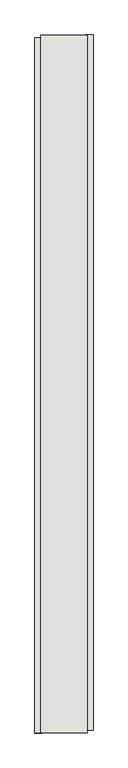
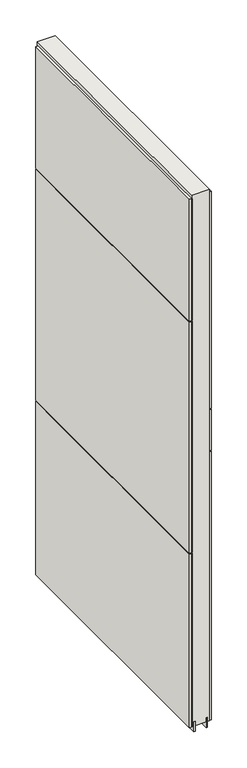
"""IFC4 building model written with IfcOpenShell, lengths in millimetres: wall geometry."""

import ifcopenshell
import ifcopenshell.guid

model = None  # the IFC model being written
_history = None  # IfcOwnerHistory: only IFC2X3 demands one
_inside = {}  # id of a spatial element -> (the spatial element, [elements in it])
_under = {}  # id of a project, library or spatial element -> (it, [spatial elements below it])
_declared = {}  # id of a project -> (the project, [libraries it declares])
_typed = {}  # id of a type object -> (the type object, [elements of that type])
_made_of = {}  # id of a material, layer set ... -> (it, [elements and type objects made of it])


def new_model(schema):
    """Start an empty IFC model of exactly this schema.

    Asked for "IFC4X3", IfcOpenShell would pick the latest addendum, in which some entities
    have other attributes; the version numbers below select the first issue.
    IFC2X3 requires an IfcOwnerHistory on every rooted entity: one is made here for all.
    """
    global model, _history
    if schema == "IFC4X3":
        model = ifcopenshell.file(schema_version=(4, 3, 0, 0))
    else:
        model = ifcopenshell.file(schema=schema)
    _inside.clear()
    _under.clear()
    _declared.clear()
    _typed.clear()
    _made_of.clear()
    _history = None
    if model.schema == "IFC2X3":
        org = make("IfcOrganization", Name="unknown")
        user = make(
            "IfcPersonAndOrganization",
            ThePerson=make("IfcPerson", FamilyName="unknown"),
            TheOrganization=org,
        )
        app = make(
            "IfcApplication",
            ApplicationDeveloper=org,
            Version="unknown",
            ApplicationFullName="unknown",
            ApplicationIdentifier="unknown",
        )
        _history = make(
            "IfcOwnerHistory",
            OwningUser=user,
            OwningApplication=app,
            ChangeAction="ADDED",
            CreationDate=0,
        )
    return model


def make(cls, **values):
    """One entity of the class cls with the attributes given. An attribute that is None is left unset."""
    return model.create_entity(
        cls, **{name: value for name, value in values.items() if value is not None}
    )


def rooted(cls, **values):
    """An entity with a GlobalId (a new one), such as an element, a storey or a relation."""
    return make(cls, GlobalId=ifcopenshell.guid.new(), OwnerHistory=_history, **values)


def si_unit(unit_type, name, prefix=None):
    """IfcSIUnit, for example si_unit("LENGTHUNIT", "METRE", prefix="MILLI")."""
    return make("IfcSIUnit", UnitType=unit_type, Prefix=prefix, Name=name)


def assignment(units):
    """IfcUnitAssignment: the units of a project."""
    return None if units is None else make("IfcUnitAssignment", Units=units)


def point(xyz):
    """IfcCartesianPoint."""
    return None if xyz is None else make("IfcCartesianPoint", Coordinates=xyz)


def direction(xyz):
    """IfcDirection."""
    return None if xyz is None else make("IfcDirection", DirectionRatios=xyz)


def frame(location, z_axis=None, x_axis=None):
    """IfcAxis2Placement3D, a coordinate frame: its origin and axes. An axis left out is left unset."""
    return make(
        "IfcAxis2Placement3D",
        Location=point(location),
        Axis=direction(z_axis),
        RefDirection=direction(x_axis),
    )


def origin():
    """The frame at (0, 0, 0) with its axes left unset."""
    return frame((0.0, 0.0, 0.0))


def place(relative_to, where):
    """IfcLocalPlacement: puts the frame where relative to a parent placement (None: the world)."""
    return make(
        "IfcLocalPlacement", PlacementRelTo=relative_to, RelativePlacement=where
    )


def context(
    kind, dimensions, precision=None, world=None, true_north=None, identifier=None
):
    """IfcGeometricRepresentationContext, for example the 3D "Model" context."""
    return make(
        "IfcGeometricRepresentationContext",
        ContextIdentifier=identifier,
        ContextType=kind,
        CoordinateSpaceDimension=dimensions,
        Precision=precision,
        WorldCoordinateSystem=world,
        TrueNorth=true_north,
    )


def project(units=None, contexts=None):
    """IfcProject with its units and contexts."""
    return rooted(
        "IfcProject",
        Name="project",
        RepresentationContexts=contexts,
        UnitsInContext=assignment(units),
    )


def spatial(cls, under=None, at=None, **own):
    """A site, building, storey or space (cls), placed at a placement, below another one or the project."""
    s = rooted(cls, ObjectPlacement=at, **own)
    if under is not None:
        _under.setdefault(under.id(), (under, []))[1].append(s)
    return s


def polyline(points):
    """IfcPolyline through the points."""
    return make("IfcPolyline", Points=[point(p) for p in points])


def outline(outer, holes=None, kind="AREA"):
    """IfcArbitraryClosedProfileDef: a profile drawn as a closed curve; with holes, ...WithVoids."""
    if holes is None:
        return make("IfcArbitraryClosedProfileDef", ProfileType=kind, OuterCurve=outer)
    return make(
        "IfcArbitraryProfileDefWithVoids",
        ProfileType=kind,
        OuterCurve=outer,
        InnerCurves=holes,
    )


def extrude(swept, where, along, depth):
    """IfcExtrudedAreaSolid: the profile swept, set in the frame where, extruded along a direction by depth."""
    return make(
        "IfcExtrudedAreaSolid",
        SweptArea=swept,
        Position=where,
        ExtrudedDirection=direction(along),
        Depth=depth,
    )


def shape(context_of_items, identifier, shape_type, items):
    """IfcShapeRepresentation: the items that make up one representation, for example the "Body"."""
    return make(
        "IfcShapeRepresentation",
        ContextOfItems=context_of_items,
        RepresentationIdentifier=identifier,
        RepresentationType=shape_type,
        Items=items,
    )


def source(mapping_origin, context_of_items, identifier, shape_type, items):
    """IfcRepresentationMap: a shape defined once, which mapped items show again and again."""
    return make(
        "IfcRepresentationMap",
        MappingOrigin=mapping_origin,
        MappedRepresentation=shape(context_of_items, identifier, shape_type, items),
    )


def transform(
    local_origin,
    x_axis=None,
    y_axis=None,
    z_axis=None,
    scale=None,
    scale2=None,
    scale3=None,
    uniform=True,
):
    """IfcCartesianTransformationOperator3D, or its non-uniform kind. x_axis, y_axis, z_axis: its Axis1, 2, 3."""
    if uniform:
        return make(
            "IfcCartesianTransformationOperator3D",
            Axis1=direction(x_axis),
            Axis2=direction(y_axis),
            LocalOrigin=point(local_origin),
            Scale=scale,
            Axis3=direction(z_axis),
        )
    return make(
        "IfcCartesianTransformationOperator3DnonUniform",
        Axis1=direction(x_axis),
        Axis2=direction(y_axis),
        LocalOrigin=point(local_origin),
        Scale=scale,
        Axis3=direction(z_axis),
        Scale2=scale2,
        Scale3=scale3,
    )


def mapped(mapping_source, mapping_target):
    """IfcMappedItem: shows the shape of a source again, moved by a transform."""
    return make(
        "IfcMappedItem", MappingSource=mapping_source, MappingTarget=mapping_target
    )


def made_of(thing, what):
    """Note that an element or type object is made of a material, layer set ...; save() writes the relation."""
    if what is not None:
        _made_of.setdefault(what.id(), (what, []))[1].append(thing)
    return thing


def element(
    cls,
    number,
    at=None,
    inside=None,
    cuts=None,
    type_object=None,
    material=None,
    context=None,
    identifier="Body",
    shape_type=None,
    held_by="IfcProductDefinitionShape",
    body=None,
    shapes=None,
    **own,
):
    """One element of the class cls, such as IfcWall. Its Tag is "e" and its number.

    at: its placement. inside: the storey or other place that contains it. cuts: it is an
    opening in that element (IfcRelVoidsElement). A single representation is given by context,
    identifier, shape_type and body (its items); several are given by shapes. held_by: the class
    of the entity that holds the representations. save() writes the other relations.
    """
    e = rooted(cls, Tag="e%d" % number, ObjectPlacement=at, **own)
    if body is not None:
        shapes = [shape(context, identifier, shape_type, body)]
    if shapes is not None:
        e.Representation = make(held_by, Representations=shapes)
    if inside is not None:
        _inside.setdefault(inside.id(), (inside, []))[1].append(e)
    if cuts is not None:
        rooted(
            "IfcRelVoidsElement", RelatingBuildingElement=cuts, RelatedOpeningElement=e
        )
    if type_object is not None:
        _typed.setdefault(type_object.id(), (type_object, []))[1].append(e)
    return made_of(e, material)


def aggregate(whole, parts):
    """IfcRelAggregates: a whole, such as a stair, and the parts it consists of."""
    return rooted("IfcRelAggregates", RelatingObject=whole, RelatedObjects=parts)


def save(model, path):
    """Write the relations noted so far, then the file.

    IfcRelAggregates (storeys below a building ...), IfcRelContainedInSpatialStructure (elements
    in a storey), IfcRelDefinesByType, IfcRelAssociatesMaterial and IfcRelDeclares: one each for
    every whole, place, type object, material and project.
    """
    for whole, parts in _under.values():
        aggregate(whole, parts)
    for where, things in _inside.values():
        rooted(
            "IfcRelContainedInSpatialStructure",
            RelatedElements=things,
            RelatingStructure=where,
        )
    for kind, things in _typed.values():
        rooted("IfcRelDefinesByType", RelatedObjects=things, RelatingType=kind)
    for what, things in _made_of.values():
        rooted("IfcRelAssociatesMaterial", RelatedObjects=things, RelatingMaterial=what)
    for by, libraries in _declared.values():
        rooted("IfcRelDeclares", RelatingContext=by, RelatedDefinitions=libraries)
    model.write(path)


def wall_45a2777a(model_context):
    return source(origin(), model_context, "Body", "SweptSolid", [
        extrude(outline(polyline([(48846.142211, -40633.0906666), (48846.142211, -40630.5506666), (48848.682211, -40630.5506666), (48848.682211, -40633.0906666), (48846.142211, -40633.0906666)])), frame((0.0, 0.0, 4419.6), z_axis=(0.0, 0.0, 1.0), x_axis=(1.0, 0.0, 0.0)), (0.0, 0.0, 1.0), 2.54),
        extrude(outline(polyline([(48898.212211, -40630.0875484), (48898.212211, -41845.2875564), (48885.512211, -41845.2875564), (48885.512211, -40630.0875484), (48898.212211, -40630.0875484)])), frame((0.0, 0.0, 5945.6000722), z_axis=(0.0, 0.0, 1.0), x_axis=(1.0, 0.0, 0.0)), (0.0, 0.0, 1.0), 1044.449905),
        extrude(outline(polyline([(48898.212211, -40630.0875484), (48898.212211, -41845.2875564), (48885.512211, -41845.2875564), (48885.512211, -40630.0875484), (48898.212211, -40630.0875484)])), frame((0.0, 0.0, 5742.3999706), z_axis=(0.0, 0.0, 1.0), x_axis=(1.0, 0.0, 0.0)), (0.0, 0.0, 1.0), 199.2000512),
        extrude(outline(polyline([(48898.212211, -40630.0875484), (48898.212211, -41845.2875564), (48885.512211, -41845.2875564), (48885.512211, -40630.0875484), (48898.212211, -40630.0875484)])), frame((0.0, 0.0, 4445.0), z_axis=(0.0, 0.0, 1.0), x_axis=(1.0, 0.0, 0.0)), (0.0, 0.0, 1.0), 1293.400004),
        extrude(outline(polyline([(48796.612211, -41850.2174932), (48796.612211, -40635.0174852), (48809.312211, -40635.0174852), (48809.312211, -41850.2174932), (48796.612211, -41850.2174932)])), frame((0.0, 0.0, 6402.8000722), z_axis=(0.0, 0.0, 1.0), x_axis=(1.0, 0.0, 0.0)), (0.0, 0.0, 1.0), 587.2498034),
        extrude(outline(polyline([(48796.612211, -41850.2174932), (48796.612211, -40635.0174852), (48809.312211, -40635.0174852), (48809.312211, -41850.2174932), (48796.612211, -41850.2174932)])), frame((0.0, 0.0, 5285.2000722), z_axis=(0.0, 0.0, 1.0), x_axis=(1.0, 0.0, 0.0)), (0.0, 0.0, 1.0), 1113.5999572),
        extrude(outline(polyline([(48796.612211, -41850.2174932), (48796.612211, -40635.0174852), (48809.312211, -40635.0174852), (48809.312211, -41850.2174932), (48796.612211, -41850.2174932)])), frame((0.0, 0.0, 4445.0), z_axis=(0.0, 0.0, 1.0), x_axis=(1.0, 0.0, 0.0)), (0.0, 0.0, 1.0), 836.200004),
        extrude(outline(polyline([(48872.4959556, -41849.7525208), (48872.4959556, -40630.5525208), (48877.574711, -40630.5525208), (48877.574711, -41849.7525208), (48872.4959556, -41849.7525208)])), frame((0.0, 0.0, 4418.6602), z_axis=(0.0, 0.0, 1.0), x_axis=(1.0, 0.0, 0.0)), (0.0, 0.0, 1.0), 47.625),
        extrude(outline(polyline([(48872.4959556, -41849.7525208), (48872.4959556, -40630.5525208), (48877.574711, -40630.5525208), (48877.574711, -41849.7525208), (48872.4959556, -41849.7525208)])), frame((0.0, 0.0, 4418.6602), z_axis=(0.0, 0.0, 1.0), x_axis=(1.0, 0.0, 0.0)), (0.0, 0.0, 1.0), 47.625),
        extrude(outline(polyline([(48822.3315652, -40630.5525208), (48822.3315652, -41849.7525208), (48817.249711, -41849.7525208), (48817.249711, -40630.5525208), (48822.3315652, -40630.5525208)])), frame((0.0, 0.0, 4418.6602), z_axis=(0.0, 0.0, 1.0), x_axis=(1.0, 0.0, 0.0)), (0.0, 0.0, 1.0), 47.625),
        extrude(outline(polyline([(48822.3315652, -40630.5525208), (48822.3315652, -41849.7525208), (48817.249711, -41849.7525208), (48817.249711, -40630.5525208), (48822.3315652, -40630.5525208)])), frame((0.0, 0.0, 4418.6602), z_axis=(0.0, 0.0, 1.0), x_axis=(1.0, 0.0, 0.0)), (0.0, 0.0, 1.0), 47.625),
        extrude(outline(polyline([(48888.0391808, -41849.7525208), (48806.7604254, -41849.7525208), (48806.7604254, -40630.5525208), (48888.0391808, -40630.5525208), (48888.0391808, -41849.7525208)])), frame((0.0, 0.0, 4445.0), z_axis=(0.0, 0.0, 1.0), x_axis=(1.0, 0.0, 0.0)), (0.0, 0.0, 1.0), 2562.4536762),
    ])


if __name__ == "__main__":
    model = new_model("IFC4")
    model_context = context("Model", 3, world=origin())
    ifc_project = project(units=[si_unit("LENGTHUNIT", "METRE", prefix="MILLI")], contexts=[model_context])
    site = spatial("IfcSite", under=ifc_project)
    building = spatial("IfcBuilding", under=site)
    placement = place(None, origin())
    wall_shape = wall_45a2777a(model_context)
    element("IfcWall", 1, at=placement, inside=building, context=model_context, shape_type="MappedRepresentation", body=[
        mapped(wall_shape, transform((0.0, 0.0, 0.0), x_axis=(1.0, 0.0, 0.0), y_axis=(0.0, 1.0, 0.0), z_axis=(0.0, 0.0, 1.0))),
    ])
    save(model, "model.ifc")
